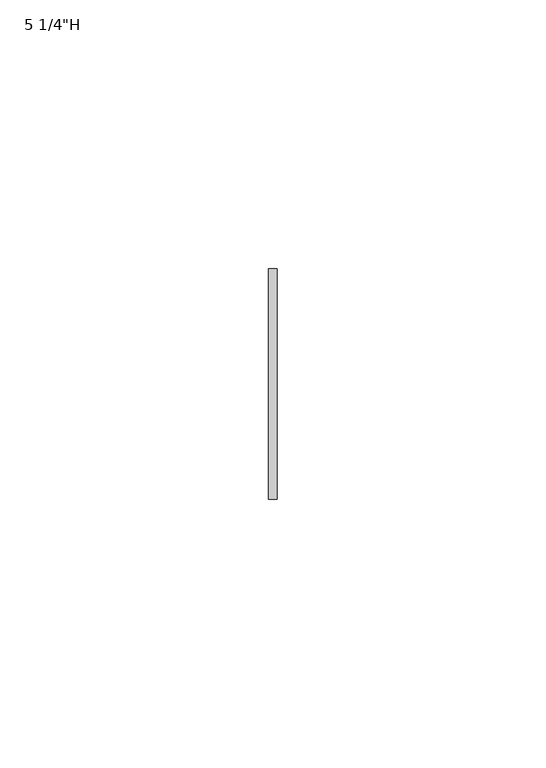
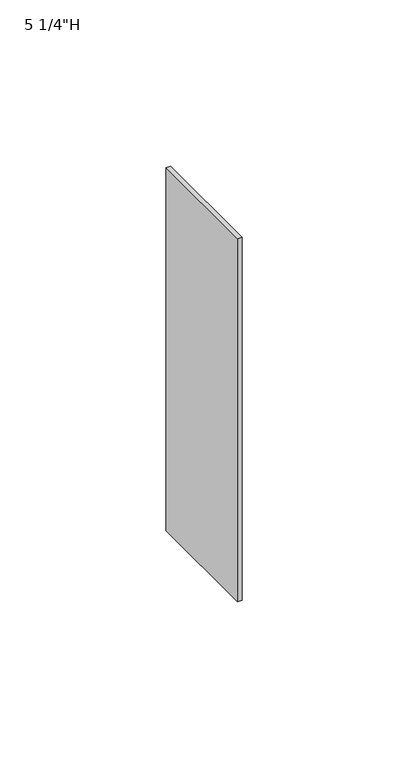
"""IFC4 building model written with IfcOpenShell, lengths in millimetres: furniture geometry."""

from ifc_helpers import new_model, si_unit, frame, origin, place, context, project, spatial, polyline, outline, extrude, source, transform, mapped, element, save


def furniture_f909d9a7(model_context):
    return source(origin(), model_context, "Body", "SweptSolid", [
        extrude(outline(polyline([(-0.79375, -111.125), (0.79375, -111.125), (0.79375, -153.9875), (-0.79375, -153.9875), (-0.79375, -111.125)])), frame((0.0, 0.0, 965.2), z_axis=(0.0, 0.0, 1.0), x_axis=(1.0, 0.0, 0.0)), (0.0, 0.0, 1.0), 133.35),
    ])


if __name__ == "__main__":
    model = new_model("IFC4")
    model_context = context("Model", 3, world=origin())
    ifc_project = project(units=[si_unit("LENGTHUNIT", "METRE", prefix="MILLI")], contexts=[model_context])
    site = spatial("IfcSite", under=ifc_project)
    building = spatial("IfcBuilding", under=site)
    placement = place(None, origin())
    furniture_shape = furniture_f909d9a7(model_context)
    element("IfcFurniture", 1, ObjectType="5 1/4\"H", at=placement, inside=building, context=model_context, shape_type="MappedRepresentation", body=[
        mapped(furniture_shape, transform((0.0, 0.0, 0.0), x_axis=(1.0, 0.0, 0.0), y_axis=(0.0, 1.0, 0.0), z_axis=(0.0, 0.0, 1.0))),
    ])
    save(model, "model.ifc")
